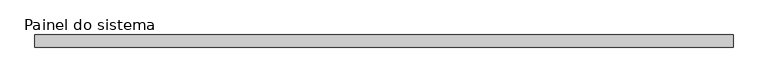
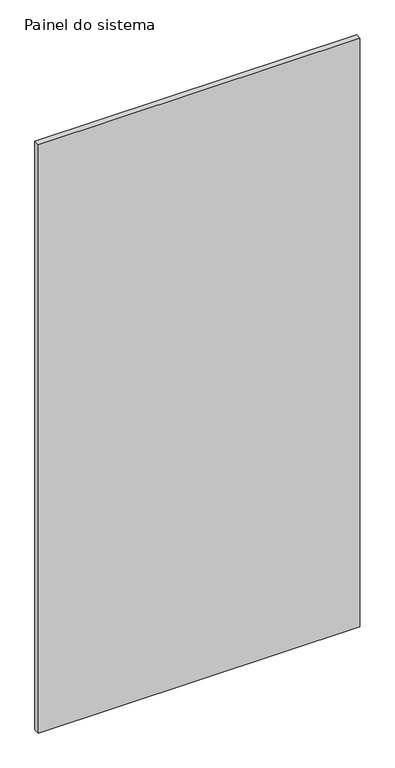
"""IFC4 building model written with IfcOpenShell, lengths in millimetres: plate geometry, Painel do sistema."""

from ifc_helpers import new_model, si_unit, origin, origin_with_axes, place, context, project, spatial, polyline, outline, extrude, source, transform, mapped, element, save


def painel_do_sistema_160b1fd3(model_context):
    return source(origin(), model_context, "Body", "SweptSolid", [
        extrude(outline(polyline([(697.950808, 24.5), (-697.950808, 24.5), (-697.950808, 49.5), (697.950808, 49.5), (697.950808, 24.5)])), origin_with_axes(), (0.0, 0.0, 1.0), 2700.0),
    ])


if __name__ == "__main__":
    model = new_model("IFC4")
    model_context = context("Model", 3, world=origin())
    ifc_project = project(units=[si_unit("LENGTHUNIT", "METRE", prefix="MILLI")], contexts=[model_context])
    site = spatial("IfcSite", under=ifc_project)
    building = spatial("IfcBuilding", under=site)
    placement = place(None, origin())
    painel_do_sistema_shape = painel_do_sistema_160b1fd3(model_context)
    element("IfcPlate", 1, ObjectType="Painel do sistema", at=placement, inside=building, context=model_context, shape_type="MappedRepresentation", body=[
        mapped(painel_do_sistema_shape, transform((0.0, 0.0, 0.0), x_axis=(1.0, 0.0, 0.0), y_axis=(0.0, 1.0, 0.0), z_axis=(0.0, 0.0, 1.0))),
    ])
    save(model, "model.ifc")
